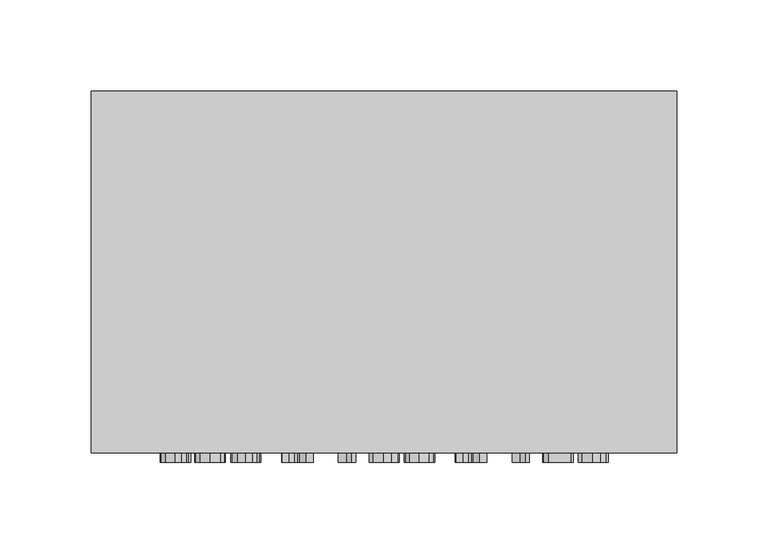
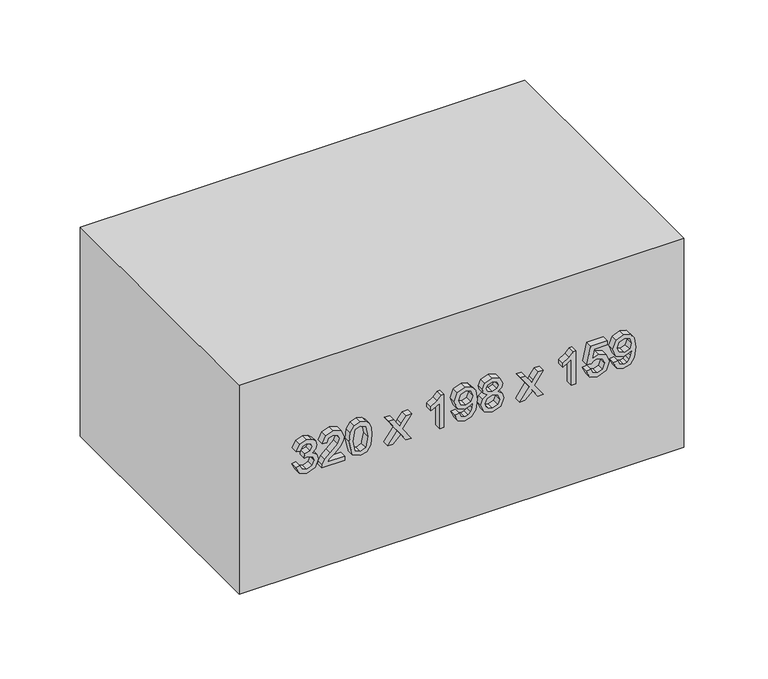
"""IFC4 building model written with IfcOpenShell, lengths in millimetres: furniture geometry."""

from ifc_helpers import new_model, si_unit, frame, origin, origin_with_axes, place, context, project, spatial, polyline, outline, extrude, source, transform, mapped, element, save


def furniture_48a5c7e1(model_context):
    return source(origin(), model_context, "Body", "SweptSolid", [
        extrude(outline(polyline([(86.1709268, -77.5345978), (81.0757612, -75.0391316), (79.1075925, -69.5331644), (81.4129864, -63.4569801), (87.0293182, -61.0534844), (91.1128083, -62.2552323), (93.2587866, -65.6765349), (95.3373199, -63.1013609), (98.2313249, -62.2307068), (101.3981758, -63.1473461), (103.7526205, -65.7960965), (104.6140775, -69.5822154), (102.8666381, -74.5731478), (97.9431507, -77.1421904), (97.5507432, -74.0029307), (100.4937992, -72.4639577), (101.4748178, -69.4718508), (100.5029962, -66.5165321), (98.0473839, -65.3699665), (95.2760062, -66.9518591), (94.4114835, -71.0169551), (91.2722238, -71.366443), (91.6155804, -69.1652824), (90.3310591, -65.5968271), (87.0845005, -64.1927441), (83.6386724, -65.6090898), (82.2468522, -69.4227998), (83.2585277, -72.6632271), (86.5633343, -74.3953381), (86.1709268, -77.5345978)])), frame((0.0, -203.0, 0.0), z_axis=(0.0, 1.0, 0.0), x_axis=(0.0, 0.0, 1.0)), (0.0, 0.0, 1.0), 5.0),
        extrude(outline(polyline([(82.6392597, -42.2179263), (82.6392597, -54.5481045), (84.2364807, -53.1317588), (87.2561787, -49.5203839), (91.5573324, -45.0230265), (94.6352784, -43.1682881), (97.6120569, -42.6103338), (102.6029893, -44.67967), (104.6140775, -50.2990675), (102.8053244, -55.9000708), (97.5507432, -58.3066322), (97.1583358, -55.1673725), (100.3282523, -53.846063), (101.4748178, -50.3665125), (100.3006611, -47.0279834), (97.4219845, -45.7495934), (93.8657919, -47.1046255), (88.6357362, -52.5247535), (84.9967701, -56.4549595), (81.6643724, -58.3618145), (79.5, -58.6990397), (79.5, -42.2179263), (82.6392597, -42.2179263)])), frame((0.0, -203.0, 0.0), z_axis=(0.0, 1.0, 0.0), x_axis=(0.0, 0.0, 1.0)), (0.0, 0.0, 1.0), 5.0),
        extrude(outline(polyline([(91.8547037, -39.0786666), (81.4988255, -36.577069), (79.1075925, -30.8381099), (80.4840843, -26.2426507), (84.659545, -23.5111268), (91.8547037, -22.5975532), (97.756144, -23.1677703), (101.4717522, -24.6392983), (103.8047371, -27.1715527), (104.6140775, -30.8381099), (103.2467828, -35.4151751), (99.0805192, -38.1558959), (91.8547037, -39.0786666)]), holes=[polyline([(91.860835, -35.9394069), (99.7948234, -34.418828), (101.4748178, -30.8748981), (99.5679628, -27.15929), (91.860835, -25.7368129), (84.0709338, -27.2083409), (82.2468522, -30.8381099), (84.0648024, -34.4678789), (91.860835, -35.9394069)])]), frame((0.0, -203.0, 0.0), z_axis=(0.0, 1.0, 0.0), x_axis=(0.0, 0.0, 1.0)), (0.0, 0.0, 1.0), 5.0),
        extrude(outline(polyline([(79.5, -11.2177368), (79.5, -7.440815), (85.0734122, -1.9655047), (79.5, 1.8788622), (79.5, 5.655784), (88.7706263, -0.7331), (97.9431507, 5.9010387), (97.9431507, 2.1241169), (93.148422, -1.3462366), (91.4439021, -2.5786413), (93.5285667, -4.0011184), (97.9431507, -7.0484076), (97.9431507, -10.8253294), (88.7706263, -4.5100218), (79.5, -11.2177368)])), frame((0.0, -203.0, 0.0), z_axis=(0.0, 1.0, 0.0), x_axis=(0.0, 0.0, 1.0)), (0.0, 0.0, 1.0), 5.0),
        extrude(outline(polyline([(79.5, 29.2002317), (104.6140775, 29.2002317), (104.6140775, 27.1768807), (101.2724827, 24.3840433), (98.3355582, 19.7824526), (95.3679767, 19.7824526), (96.952935, 23.0872592), (99.0713221, 26.060972), (79.5, 26.060972), (79.5, 29.2002317)])), frame((0.0, -203.0, 0.0), z_axis=(0.0, 1.0, 0.0), x_axis=(0.0, 0.0, 1.0)), (0.0, 0.0, 1.0), 5.0),
        extrude(outline(polyline([(85.7785194, 37.0483809), (80.8580977, 39.2985925), (79.1075925, 44.123978), (80.5913833, 48.9708233), (84.910931, 52.0886232), (92.5352854, 53.1370869), (99.5618315, 52.0855575), (103.3019651, 49.0076115), (104.6140775, 44.5347795), (102.3148151, 38.9031193), (96.2447621, 36.6559735), (90.3647816, 38.7988861), (88.1329642, 44.0442702), (89.0465378, 47.4870325), (90.8123714, 50.0162213), (87.1703396, 49.5625001), (84.4418815, 48.5354962), (82.8446605, 46.8125822), (82.2468522, 44.2711308), (83.1757543, 41.5978549), (86.1709268, 40.1876406), (85.7785194, 37.0483809)]), holes=[polyline([(96.3183385, 49.9978272), (92.6119274, 48.5784158), (91.2722238, 44.9578438), (92.6119274, 41.1870534), (96.091478, 39.7952332), (99.9756987, 41.2667611), (101.4748178, 45.043683), (100.0829976, 48.6427951), (96.3183385, 49.9978272)])]), frame((0.0, -203.0, 0.0), z_axis=(0.0, 1.0, 0.0), x_axis=(0.0, 0.0, 1.0)), (0.0, 0.0, 1.0), 5.0),
        extrude(outline(polyline([(93.332363, 60.4579386), (91.0514946, 57.0734242), (86.8944281, 55.8839391), (81.3363443, 58.1525447), (79.1075925, 64.1244958), (81.3271472, 70.0964468), (86.808589, 72.3650525), (90.8706193, 71.2215526), (93.332363, 67.8830235), (95.2729405, 70.6635982), (98.2313249, 71.5802375), (102.7562735, 69.5200984), (104.6140775, 64.0815762), (102.799193, 58.692105), (98.3171641, 56.668754), (95.2821376, 57.597656), (93.332363, 60.4579386)]), holes=[polyline([(98.2251936, 59.8080137), (100.5183247, 60.9392508), (101.4748178, 64.1244958), (100.4968649, 67.3005437), (98.0841721, 68.4409779), (95.7542528, 67.3373319), (94.803891, 64.161284), (95.7603842, 60.9208567), (98.2251936, 59.8080137)]), polyline([(87.0047927, 59.0231988), (90.3341248, 60.3506396), (91.6646313, 64.044788), (90.3157307, 67.8462353), (86.9066908, 69.2257928), (83.5620304, 67.8891549), (82.2468522, 64.1490212), (82.8722516, 61.402169), (84.6411509, 59.5474306), (87.0047927, 59.0231988)])]), frame((0.0, -203.0, 0.0), z_axis=(0.0, 1.0, 0.0), x_axis=(0.0, 0.0, 1.0)), (0.0, 0.0, 1.0), 5.0),
        extrude(outline(polyline([(79.5, 83.7448689), (79.5, 87.5217907), (85.0734122, 92.997101), (79.5, 96.8414679), (79.5, 100.6183897), (88.7706263, 94.2295057), (97.9431507, 100.8636444), (97.9431507, 97.0867225), (93.148422, 93.6163691), (91.4439021, 92.3839644), (93.5285667, 90.9614873), (97.9431507, 87.9141981), (97.9431507, 84.1372763), (88.7706263, 90.4525839), (79.5, 83.7448689)])), frame((0.0, -203.0, 0.0), z_axis=(0.0, 1.0, 0.0), x_axis=(0.0, 0.0, 1.0)), (0.0, 0.0, 1.0), 5.0),
        extrude(outline(polyline([(79.5, 124.1628374), (104.6140775, 124.1628374), (104.6140775, 122.1394864), (101.2724827, 119.3466489), (98.3355582, 114.7450583), (95.3679767, 114.7450583), (96.952935, 118.0498649), (99.0713221, 121.0235777), (79.5, 121.0235777), (79.5, 124.1628374)])), frame((0.0, -203.0, 0.0), z_axis=(0.0, 1.0, 0.0), x_axis=(0.0, 0.0, 1.0)), (0.0, 0.0, 1.0), 5.0),
        extrude(outline(polyline([(86.1709268, 131.6185792), (81.0420387, 134.0680601), (79.1075925, 139.6077498), (82.1180935, 146.1315239), (87.9428918, 148.0996925), (93.7309018, 145.9138604), (95.9811134, 140.5458489), (94.1662289, 135.9534553), (101.0824104, 137.2962246), (101.0824104, 146.9224702), (104.2216701, 146.9224702), (104.2216701, 134.7578389), (91.2722238, 132.0109866), (90.8798164, 135.1502463), (92.2961621, 136.9130142), (92.8418537, 139.6690635), (91.4745589, 143.6452547), (87.7466881, 144.9604329), (83.7521027, 143.5563499), (82.2468522, 139.6200126), (83.3290384, 136.3397314), (86.5633343, 134.7578389), (86.1709268, 131.6185792)])), frame((0.0, -203.0, 0.0), z_axis=(0.0, 1.0, 0.0), x_axis=(0.0, 0.0, 1.0)), (0.0, 0.0, 1.0), 5.0),
        extrude(outline(polyline([(85.7785194, 151.2389522), (80.8580977, 153.4891638), (79.1075925, 158.3145493), (80.5913833, 163.1613946), (84.910931, 166.2791945), (92.5352854, 167.3276582), (99.5618315, 166.2761288), (103.3019651, 163.1981828), (104.6140775, 158.7253508), (102.3148151, 153.0936906), (96.2447621, 150.8465448), (90.3647816, 152.9894574), (88.1329642, 158.2348415), (89.0465378, 161.6776039), (90.8123714, 164.2067926), (87.1703396, 163.7530714), (84.4418815, 162.7260675), (82.8446605, 161.0031535), (82.2468522, 158.4617021), (83.1757543, 155.7884262), (86.1709268, 154.3782119), (85.7785194, 151.2389522)]), holes=[polyline([(96.3183385, 164.1883985), (92.6119274, 162.7689871), (91.2722238, 159.1484151), (92.6119274, 155.3776247), (96.091478, 153.9858045), (99.9756987, 155.4573324), (101.4748178, 159.2342543), (100.0829976, 162.8333665), (96.3183385, 164.1883985)])]), frame((0.0, -203.0, 0.0), z_axis=(0.0, 1.0, 0.0), x_axis=(0.0, 0.0, 1.0)), (0.0, 0.0, 1.0), 5.0),
        extrude(outline(polyline([(204.7003264, 0.0), (204.7003264, -198.0), (-115.2996736, -198.0), (-115.2996736, 0.0), (204.7003264, 0.0)])), origin_with_axes(), (0.0, 0.0, 1.0), 159.0),
    ])


if __name__ == "__main__":
    model = new_model("IFC4")
    model_context = context("Model", 3, world=origin())
    ifc_project = project(units=[si_unit("LENGTHUNIT", "METRE", prefix="MILLI")], contexts=[model_context])
    site = spatial("IfcSite", under=ifc_project)
    building = spatial("IfcBuilding", under=site)
    placement = place(None, origin())
    furniture_shape = furniture_48a5c7e1(model_context)
    element("IfcFurniture", 1, at=placement, inside=building, context=model_context, shape_type="MappedRepresentation", body=[
        mapped(furniture_shape, transform((0.0, 0.0, 0.0), x_axis=(1.0, 0.0, 0.0), y_axis=(0.0, 1.0, 0.0), z_axis=(0.0, 0.0, 1.0))),
    ])
    save(model, "model.ifc")
